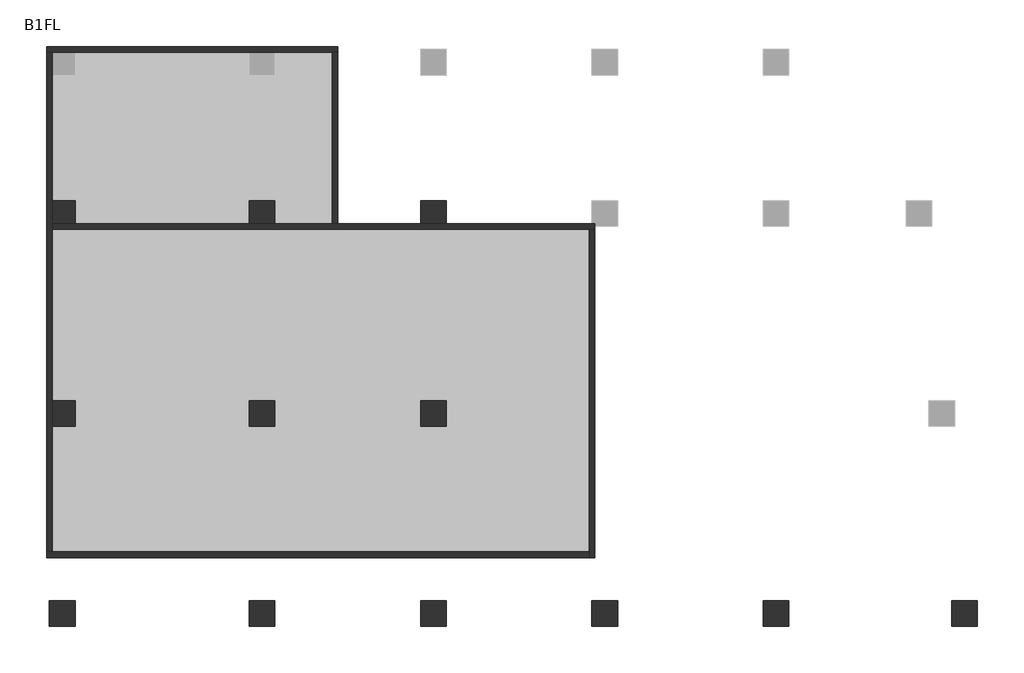
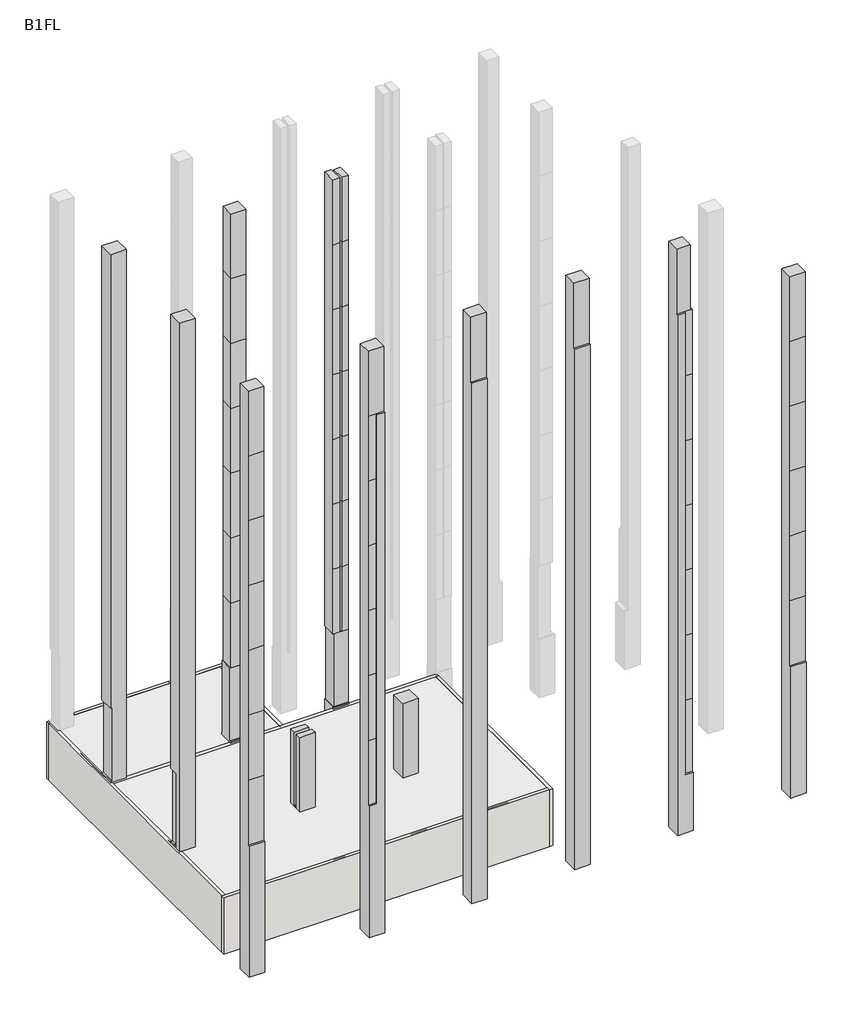
# One storey, part 1 of 2: 12 columns, 6 walls.
"""IFC4 building model written with IfcOpenShell, lengths in millimetres."""

from ifc_helpers import new_model, si_unit, frame, origin, place, context, project, spatial, polyline, outline, extrude, faceted_brep, element, save

model = new_model("IFC4")

# Units and contexts
model_context = context("Model", 3, world=origin())
ifc_project = project(units=[si_unit("LENGTHUNIT", "METRE", prefix="MILLI")], contexts=[model_context])

# Site, building, storey
site = spatial("IfcSite", under=ifc_project)
building = spatial("IfcBuilding", under=site)
storey = spatial("IfcBuildingStorey", under=building, Name="B1FL", Elevation=-3500.0)

# Columns
placement = place(None, origin())
element("IfcColumn", 1, ObjectType="900x900", at=placement, inside=storey, context=model_context, shape_type="Brep", body=[
    faceted_brep([(-27945.9784025, 10449.6868987, 32600.0), (-27945.9784025, 11349.6868987, 32600.0), (-28845.9784025, 11349.6868987, 32600.0), (-28845.9784025, 10449.6868987, 32600.0), (-28745.9784025, 11349.6868987, -3500.0), (-27945.9784025, 11349.6868987, -3500.0), (-27945.9784025, 10549.6868987, -3500.0), (-28745.9784025, 10549.6868987, -3500.0), (-27945.9784025, 10449.6868987, 0.0), (-27945.9784025, 10549.6868987, 0.0), (-27945.9784025, 11349.6868987, 100.0), (-27945.9784025, 11299.6868987, 100.0), (-27945.9784025, 11299.6868987, 4600.0), (-27945.9784025, 11349.6868987, 4600.0), (-28745.9784025, 11349.6868987, 4600.0), (-28845.9784025, 11349.6868987, 4600.0), (-28845.9784025, 10449.6868987, 4600.0), (-28745.9784025, 10449.6868987, 4600.0), (-28745.9784025, 10449.6868987, 100.0), (-28845.9784025, 10449.6868987, 100.0), (-28845.9784025, 10449.6868987, 0.0), (-28745.9784025, 10449.6868987, 0.0), (-28745.9784025, 11299.6868987, 4600.0), (-28745.9784025, 11299.6868987, 100.0), (-28745.9784025, 11349.6868987, 100.0), (-28845.9784025, 11349.6868987, 100.0), (-28845.9784025, 11349.6868987, 0.0), (-28845.9784025, 10549.6868987, 0.0), (-28745.9784025, 11349.6868987, 0.0), (-28745.9784025, 10549.6868987, 0.0)], [[[0, 1, 2, 3]], [[4, 5, 6, 7]], [[1, 0, 8, 9, 6, 5, 10, 11, 12, 13]], [[2, 1, 13, 14, 15]], [[3, 2, 15, 16]], [[0, 3, 16, 17, 18, 19, 20, 21, 8]], [[18, 17, 22, 23]], [[24, 25, 19, 18, 23]], [[15, 14, 22, 17, 16]], [[19, 25, 26, 27, 20]], [[11, 23, 22, 12]], [[23, 11, 10, 24]], [[12, 22, 14, 13]], [[25, 24, 10, 5, 4, 28, 26]], [[28, 4, 7, 29]], [[21, 20, 27, 26, 28, 29]], [[9, 29, 7, 6]], [[29, 9, 8, 21]]]),
])
element("IfcColumn", 2, ObjectType="900x900", at=placement, inside=storey, context=model_context, shape_type="Brep", body=[
    faceted_brep([(-27945.9784025, 3449.6868987, 32600.0), (-27945.9784025, 4349.6868987, 32600.0), (-28845.9784025, 4349.6868987, 32600.0), (-28845.9784025, 3449.6868987, 32600.0), (-27945.9784025, 4349.6868987, -3500.0), (-27945.9784025, 3449.6868987, -3500.0), (-28745.9784025, 3449.6868987, -3500.0), (-28745.9784025, 4349.6868987, -3500.0), (-27945.9784025, 3999.6868987, 4600.0), (-27945.9784025, 3999.6868987, 100.0), (-27945.9784025, 3799.6868987, 100.0), (-27945.9784025, 3799.6868987, 4600.0), (-28745.9784025, 4349.6868987, 0.0), (-28845.9784025, 4349.6868987, 0.0), (-28845.9784025, 4349.6868987, 100.0), (-28745.9784025, 4349.6868987, 100.0), (-28745.9784025, 4349.6868987, 4600.0), (-28845.9784025, 4349.6868987, 4600.0), (-28845.9784025, 3999.6868987, 4600.0), (-28845.9784025, 3799.6868987, 4600.0), (-28845.9784025, 3799.6868987, 100.0), (-28845.9784025, 3999.6868987, 100.0), (-28845.9784025, 3449.6868987, 0.0), (-28745.9784025, 3449.6868987, 0.0), (-28745.9784025, 3999.6868987, 4600.0), (-28745.9784025, 3999.6868987, 100.0)], [[[0, 1, 2, 3]], [[4, 5, 6, 7]], [[1, 0, 5, 4], [8, 9, 10, 11]], [[2, 1, 4, 7, 12, 13, 14, 15, 16, 17]], [[3, 2, 17, 18, 19, 20, 21, 14, 13, 22]], [[0, 3, 22, 23, 6, 5]], [[9, 8, 24, 25]], [[11, 10, 20, 19]], [[10, 9, 25, 21, 20]], [[8, 11, 19, 18, 24]], [[24, 16, 15, 25]], [[25, 15, 14, 21]], [[16, 24, 18, 17]], [[23, 12, 7, 6]], [[12, 23, 22, 13]]]),
])
element("IfcColumn", 3, ObjectType="900x900", at=placement, inside=storey, context=model_context, shape_type="SweptSolid", body=[
    extrude(outline(polyline([(-2650.3131013, -3500.0), (-3550.3131013, -3500.0), (-3550.3131013, 4600.0), (-3450.3131013, 4600.0), (-3450.3131013, 8600.0), (-3450.3131013, 12600.0), (-3450.3131013, 16600.0), (-3450.3131013, 20600.0), (-3450.3131013, 24600.0), (-3450.3131013, 28600.0), (-3450.3131013, 32600.0), (-2650.3131013, 32600.0), (-2650.3131013, -3500.0)])), frame((-28845.9784025, 0.0, 0.0), z_axis=(1.0, 0.0, 0.0), x_axis=(0.0, 1.0, 0.0)), (0.0, 0.0, 1.0), 900.0),
])
element("IfcColumn", 4, ObjectType="900x900", at=placement, inside=storey, context=model_context, shape_type="Brep", body=[
    faceted_brep([(-21795.9784025, 11299.6868987, 32600.0), (-21795.9784025, 10499.6868987, 32600.0), (-20945.9784025, 10499.6868987, 32600.0), (-20945.9784025, 11299.6868987, 32600.0), (-21845.9784025, 11349.6868987, -3500.0), (-20945.9784025, 11349.6868987, -3500.0), (-20945.9784025, 10549.6868987, -3500.0), (-21845.9784025, 10549.6868987, -3500.0), (-20945.9784025, 10499.6868987, 12600.0), (-20945.9784025, 10499.6868987, 8600.0), (-20945.9784025, 10499.6868987, 4600.0), (-20945.9784025, 10524.6868987, 4600.0), (-20945.9784025, 11299.6868987, 4600.0), (-20945.9784025, 11299.6868987, 8600.0), (-20945.9784025, 11299.6868987, 12600.0), (-20945.9784025, 11299.6868987, 16600.0), (-20945.9784025, 11299.6868987, 20600.0), (-20945.9784025, 11299.6868987, 24600.0), (-20945.9784025, 11299.6868987, 28600.0), (-20945.9784025, 10499.6868987, 28600.0), (-20945.9784025, 10499.6868987, 24600.0), (-20945.9784025, 10499.6868987, 20600.0), (-20945.9784025, 10499.6868987, 16600.0), (-21795.9784025, 10499.6868987, 12600.0), (-21795.9784025, 10499.6868987, 8600.0), (-20945.9784025, 10449.6868987, 100.0), (-21845.9784025, 10449.6868987, 100.0), (-21845.9784025, 10449.6868987, 0.0), (-20945.9784025, 10449.6868987, 0.0), (-21795.9784025, 11299.6868987, 12600.0), (-21795.9784025, 11299.6868987, 8600.0), (-21845.9784025, 10524.6868987, 100.0), (-21845.9784025, 10524.6868987, 4600.0), (-21845.9784025, 11299.6868987, 4600.0), (-21845.9784025, 11299.6868987, 100.0), (-21845.9784025, 11349.6868987, 100.0), (-21845.9784025, 10549.6868987, 0.0), (-20945.9784025, 11349.6868987, 100.0), (-21795.9784025, 10499.6868987, 4600.0), (-21795.9784025, 11299.6868987, 4600.0), (-21795.9784025, 10524.6868987, 4600.0), (-20995.9784025, 11299.6868987, 4600.0), (-21795.9784025, 10499.6868987, 16600.0), (-21795.9784025, 11299.6868987, 16600.0), (-21795.9784025, 10499.6868987, 20600.0), (-21795.9784025, 11299.6868987, 20600.0), (-21795.9784025, 10499.6868987, 24600.0), (-21795.9784025, 11299.6868987, 24600.0), (-21795.9784025, 10499.6868987, 28600.0), (-21795.9784025, 11299.6868987, 28600.0), (-20995.9784025, 10524.6868987, 100.0), (-20995.9784025, 10524.6868987, 4600.0), (-20945.9784025, 10524.6868987, 100.0), (-20995.9784025, 11299.6868987, 100.0), (-20945.9784025, 11299.6868987, 100.0), (-20945.9784025, 10549.6868987, 0.0)], [[[0, 1, 2, 3]], [[4, 5, 6, 7]], [[8, 9, 10, 11, 12, 13, 14, 15, 16, 17, 18, 3, 2, 19, 20, 21, 22]], [[9, 8, 23, 24]], [[25, 26, 27, 28]], [[24, 23, 29, 30]], [[31, 32, 33, 34, 35, 4, 7, 36, 27, 26]], [[14, 13, 30, 29]], [[5, 4, 35, 37]], [[10, 9, 24, 38]], [[24, 30, 39, 40, 38]], [[40, 39, 33, 32]], [[13, 12, 41, 39, 30]], [[8, 22, 42, 23]], [[29, 23, 42, 43]], [[15, 14, 29, 43]], [[22, 21, 44, 42]], [[43, 42, 44, 45]], [[16, 15, 43, 45]], [[21, 20, 46, 44]], [[45, 44, 46, 47]], [[17, 16, 45, 47]], [[20, 19, 48, 46]], [[47, 46, 48, 49]], [[18, 17, 47, 49]], [[49, 48, 1, 0]], [[0, 3, 18, 49]], [[2, 1, 48, 19]], [[32, 31, 50, 51, 40]], [[25, 52, 50, 31, 26]], [[11, 10, 38, 40, 51]], [[34, 33, 39, 41, 53]], [[54, 37, 35, 34, 53]], [[50, 53, 41, 51]], [[53, 50, 52, 54]], [[51, 41, 12, 11]], [[52, 25, 28, 55, 6, 5, 37, 54]], [[55, 36, 7, 6]], [[36, 55, 28, 27]]]),
])
element("IfcColumn", 5, ObjectType="900x900", at=placement, inside=storey, context=model_context, shape_type="Brep", body=[
    faceted_brep([(-21845.9784025, 3449.6868987, 4600.0), (-20945.9784025, 3449.6868987, 4600.0), (-20945.9784025, 3799.6868987, 4600.0), (-21845.9784025, 3799.6868987, 4600.0), (-20945.9784025, 3449.6868987, -3500.0), (-21845.9784025, 3449.6868987, -3500.0), (-21845.9784025, 4349.6868987, -3500.0), (-20945.9784025, 4349.6868987, -3500.0), (-20945.9784025, 4349.6868987, 100.0), (-20945.9784025, 3999.6868987, 100.0), (-20945.9784025, 3799.6868987, 100.0), (-21845.9784025, 4349.6868987, 4600.0), (-21020.9784025, 4349.6868987, 4600.0), (-21020.9784025, 4349.6868987, 100.0), (-21845.9784025, 3799.6868987, 100.0), (-21845.9784025, 3999.6868987, 100.0), (-21845.9784025, 3999.6868987, 4600.0), (-21020.9784025, 3999.6868987, 100.0), (-21020.9784025, 3999.6868987, 4600.0)], [[[0, 1, 2, 3]], [[4, 5, 6, 7]], [[4, 7, 8, 9, 10, 2, 1]], [[7, 6, 11, 12, 13, 8]], [[6, 5, 0, 3, 14, 15, 16, 11]], [[1, 0, 5, 4]], [[16, 15, 17, 18]], [[3, 2, 10, 14]], [[10, 9, 17, 15, 14]], [[11, 16, 18, 12]], [[17, 13, 12, 18]], [[13, 17, 9, 8]]]),
])
element("IfcColumn", 6, ObjectType="900x900", at=placement, inside=storey, context=model_context, shape_type="Brep", body=[
    faceted_brep([(-20945.9784025, -2650.3131013, 32600.0), (-21845.9784025, -2650.3131013, 32600.0), (-21845.9784025, -3450.3131013, 32600.0), (-20945.9784025, -3450.3131013, 32600.0), (-20945.9784025, -3550.3131013, -3500.0), (-21845.9784025, -3550.3131013, -3500.0), (-21845.9784025, -2650.3131013, -3500.0), (-20945.9784025, -2650.3131013, -3500.0), (-20945.9784025, -3450.3131013, 28600.0), (-20945.9784025, -3550.3131013, 28600.0), (-21845.9784025, -3550.3131013, 4600.0), (-21845.9784025, -3450.3131013, 4600.0), (-21845.9784025, -3450.3131013, 8600.0), (-21845.9784025, -3450.3131013, 12600.0), (-21845.9784025, -3450.3131013, 16600.0), (-21845.9784025, -3450.3131013, 20600.0), (-21845.9784025, -3450.3131013, 24600.0), (-21845.9784025, -3450.3131013, 28600.0), (-21395.9784025, -3550.3131013, 28600.0), (-21395.9784025, -3550.3131013, 24600.0), (-21395.9784025, -3550.3131013, 20600.0), (-21395.9784025, -3550.3131013, 16600.0), (-21395.9784025, -3550.3131013, 12600.0), (-21395.9784025, -3550.3131013, 8600.0), (-21395.9784025, -3550.3131013, 4600.0), (-21395.9784025, -3450.3131013, 28600.0), (-21395.9784025, -3450.3131013, 8600.0), (-21395.9784025, -3450.3131013, 12600.0), (-21395.9784025, -3450.3131013, 16600.0), (-21395.9784025, -3450.3131013, 20600.0), (-21395.9784025, -3450.3131013, 24600.0), (-21395.9784025, -3450.3131013, 4600.0)], [[[0, 1, 2, 3]], [[4, 5, 6, 7]], [[4, 7, 0, 3, 8, 9]], [[1, 0, 7, 6]], [[6, 5, 10, 11, 12, 13, 14, 15, 16, 17, 2, 1]], [[5, 4, 9, 18, 19, 20, 21, 22, 23, 24, 10]], [[3, 2, 17, 25, 8]], [[9, 8, 25, 18]], [[26, 27, 13, 12]], [[27, 26, 23, 22]], [[27, 28, 14, 13]], [[28, 27, 22, 21]], [[28, 29, 15, 14]], [[29, 28, 21, 20]], [[29, 30, 16, 15]], [[30, 29, 20, 19]], [[30, 25, 17, 16]], [[25, 30, 19, 18]], [[31, 26, 12, 11]], [[31, 11, 10, 24]], [[26, 31, 24, 23]]]),
])
element("IfcColumn", 7, ObjectType="900x900", at=placement, inside=storey, context=model_context, shape_type="Brep", body=[
    faceted_brep([(-15345.9784025, 11299.6868987, 32600.0), (-15345.9784025, 10499.6868987, 32600.0), (-14945.9784025, 10499.6868987, 32600.0), (-14945.9784025, 11299.6868987, 32600.0), (-15845.9784025, 11349.6868987, -3500.0), (-14945.9784025, 11349.6868987, -3500.0), (-14945.9784025, 10549.6868987, -3500.0), (-15845.9784025, 10549.6868987, -3500.0), (-14945.9784025, 10499.6868987, 12600.0), (-14945.9784025, 10499.6868987, 8600.0), (-14945.9784025, 10499.6868987, 4600.0), (-14945.9784025, 10524.6868987, 4600.0), (-14945.9784025, 10524.6868987, 100.0), (-14945.9784025, 10449.6868987, 100.0), (-14945.9784025, 10449.6868987, 0.0), (-14945.9784025, 10549.6868987, 0.0), (-14945.9784025, 11349.6868987, 100.0), (-14945.9784025, 11299.6868987, 100.0), (-14945.9784025, 11299.6868987, 4600.0), (-14945.9784025, 11299.6868987, 8600.0), (-14945.9784025, 11299.6868987, 12600.0), (-14945.9784025, 11299.6868987, 16600.0), (-14945.9784025, 11299.6868987, 20600.0), (-14945.9784025, 11299.6868987, 24600.0), (-14945.9784025, 11299.6868987, 28600.0), (-14945.9784025, 10499.6868987, 28600.0), (-14945.9784025, 10499.6868987, 24600.0), (-14945.9784025, 10499.6868987, 20600.0), (-14945.9784025, 10499.6868987, 16600.0), (-15845.9784025, 10499.6868987, 8600.0), (-15845.9784025, 10499.6868987, 12600.0), (-15845.9784025, 10499.6868987, 16600.0), (-15845.9784025, 10499.6868987, 20600.0), (-15845.9784025, 10499.6868987, 24600.0), (-15845.9784025, 10499.6868987, 28600.0), (-15845.9784025, 10499.6868987, 32600.0), (-15845.9784025, 11349.6868987, 32600.0), (-15845.9784025, 11349.6868987, 4600.0), (-15845.9784025, 11299.6868987, 4600.0), (-15845.9784025, 10524.6868987, 4600.0), (-15845.9784025, 10499.6868987, 4600.0), (-15345.9784025, 10499.6868987, 12600.0), (-15345.9784025, 10499.6868987, 8600.0), (-15845.9784025, 10449.6868987, 100.0), (-15845.9784025, 10449.6868987, 0.0), (-15345.9784025, 11299.6868987, 12600.0), (-15345.9784025, 11299.6868987, 8600.0), (-15445.9784025, 11349.6868987, 8600.0), (-15445.9784025, 11349.6868987, 12600.0), (-15445.9784025, 10499.6868987, 12600.0), (-15445.9784025, 10499.6868987, 8600.0), (-15345.9784025, 10499.6868987, 4600.0), (-15345.9784025, 11299.6868987, 4600.0), (-15345.9784025, 10524.6868987, 4600.0), (-15445.9784025, 11349.6868987, 4600.0), (-15445.9784025, 10499.6868987, 4600.0), (-15445.9784025, 10524.6868987, 4600.0), (-15445.9784025, 11299.6868987, 4600.0), (-15345.9784025, 10499.6868987, 16600.0), (-15345.9784025, 11299.6868987, 16600.0), (-15445.9784025, 11349.6868987, 16600.0), (-15445.9784025, 10499.6868987, 16600.0), (-15345.9784025, 10499.6868987, 20600.0), (-15345.9784025, 11299.6868987, 20600.0), (-15445.9784025, 11349.6868987, 20600.0), (-15445.9784025, 10499.6868987, 20600.0), (-15345.9784025, 10499.6868987, 24600.0), (-15345.9784025, 11299.6868987, 24600.0), (-15445.9784025, 11349.6868987, 24600.0), (-15445.9784025, 10499.6868987, 24600.0), (-15345.9784025, 10499.6868987, 28600.0), (-15345.9784025, 11299.6868987, 28600.0), (-15445.9784025, 11349.6868987, 28600.0), (-15445.9784025, 10499.6868987, 28600.0), (-15445.9784025, 11349.6868987, 32600.0), (-15445.9784025, 10499.6868987, 32600.0), (-15795.9784025, 10524.6868987, 4600.0), (-15795.9784025, 10524.6868987, 100.0), (-15845.9784025, 10524.6868987, 100.0), (-15795.9784025, 11299.6868987, 4600.0), (-15795.9784025, 11299.6868987, 100.0), (-15845.9784025, 11299.6868987, 100.0), (-15845.9784025, 11349.6868987, 100.0), (-15845.9784025, 10549.6868987, 0.0)], [[[0, 1, 2, 3]], [[4, 5, 6, 7]], [[8, 9, 10, 11, 12, 13, 14, 15, 6, 5, 16, 17, 18, 19, 20, 21, 22, 23, 24, 3, 2, 25, 26, 27, 28]], [[29, 30, 31, 32, 33, 34, 35, 36, 37, 38, 39, 40]], [[9, 8, 41, 42]], [[13, 43, 44, 14]], [[42, 41, 45, 46]], [[47, 48, 49, 50]], [[30, 29, 50, 49]], [[20, 19, 46, 45]], [[10, 9, 42, 51]], [[42, 46, 52, 53, 51]], [[54, 47, 50, 55, 56, 57]], [[53, 52, 57, 56]], [[29, 40, 55, 50]], [[19, 18, 52, 46]], [[8, 28, 58, 41]], [[45, 41, 58, 59]], [[48, 60, 61, 49]], [[31, 30, 49, 61]], [[21, 20, 45, 59]], [[28, 27, 62, 58]], [[59, 58, 62, 63]], [[60, 64, 65, 61]], [[32, 31, 61, 65]], [[22, 21, 59, 63]], [[27, 26, 66, 62]], [[63, 62, 66, 67]], [[64, 68, 69, 65]], [[33, 32, 65, 69]], [[23, 22, 63, 67]], [[26, 25, 70, 66]], [[67, 66, 70, 71]], [[68, 72, 73, 69]], [[34, 33, 69, 73]], [[24, 23, 67, 71]], [[71, 70, 1, 0]], [[74, 75, 73, 72]], [[48, 47, 54, 37, 36, 74, 72, 68, 64, 60]], [[0, 3, 24, 71]], [[2, 1, 70, 25]], [[74, 36, 35, 75]], [[75, 35, 34, 73]], [[11, 53, 56, 76, 77, 12]], [[13, 12, 77, 78, 43]], [[40, 39, 76, 56, 55]], [[53, 11, 10, 51]], [[76, 79, 80, 77]], [[77, 80, 81, 78]], [[79, 76, 39, 38]], [[79, 57, 52, 18, 17, 80]], [[80, 17, 16, 82, 81]], [[57, 79, 38, 37, 54]], [[43, 78, 81, 82, 4, 7, 83, 44]], [[5, 4, 82, 16]], [[15, 83, 7, 6]], [[83, 15, 14, 44]]]),
])
element("IfcColumn", 8, ObjectType="900x900", at=placement, inside=storey, context=model_context, shape_type="SweptSolid", body=[
    extrude(outline(polyline([(-14945.9784025, 3449.6868987), (-15845.9784025, 3449.6868987), (-15845.9784025, 4349.6868987), (-14945.9784025, 4349.6868987), (-14945.9784025, 3449.6868987)])), frame((0.0, 0.0, -3500.0), z_axis=(0.0, 0.0, 1.0), x_axis=(1.0, 0.0, 0.0)), (0.0, 0.0, 1.0), 8100.0),
])
element("IfcColumn", 9, ObjectType="900x900", at=placement, inside=storey, context=model_context, shape_type="SweptSolid", body=[
    extrude(outline(polyline([(-2650.3131013, -3500.0), (-3550.3131013, -3500.0), (-3550.3131013, 28600.0), (-3450.3131013, 28600.0), (-3450.3131013, 32600.0), (-2650.3131013, 32600.0), (-2650.3131013, -3500.0)])), frame((-15845.9784025, 0.0, 0.0), z_axis=(1.0, 0.0, 0.0), x_axis=(0.0, 1.0, 0.0)), (0.0, 0.0, 1.0), 900.0),
])
element("IfcColumn", 10, ObjectType="900x900", at=placement, inside=storey, context=model_context, shape_type="SweptSolid", body=[
    extrude(outline(polyline([(-2650.3131013, -3500.0), (-3550.3131013, -3500.0), (-3550.3131013, 28600.0), (-3450.3131013, 28600.0), (-3450.3131013, 32600.0), (-2650.3131013, 32600.0), (-2650.3131013, -3500.0)])), frame((-9845.9784025, 0.0, 0.0), z_axis=(1.0, 0.0, 0.0), x_axis=(0.0, 1.0, 0.0)), (0.0, 0.0, 1.0), 900.0),
])
element("IfcColumn", 11, ObjectType="900x900", at=placement, inside=storey, context=model_context, shape_type="Brep", body=[
    faceted_brep([(-3845.9784025, -2650.3131013, 32600.0), (-3845.9784025, -3450.3131013, 32600.0), (-3045.9784025, -3450.3131013, 32600.0), (-3045.9784025, -2650.3131013, 32600.0), (-2945.9784025, -3550.3131013, -3500.0), (-3845.9784025, -3550.3131013, -3500.0), (-3845.9784025, -2650.3131013, -3500.0), (-2945.9784025, -2650.3131013, -3500.0), (-2945.9784025, -2650.3131013, 28600.0), (-2945.9784025, -3450.3131013, 28600.0), (-2945.9784025, -3450.3131013, 24600.0), (-2945.9784025, -3450.3131013, 20600.0), (-2945.9784025, -3450.3131013, 16600.0), (-2945.9784025, -3450.3131013, 12600.0), (-2945.9784025, -3450.3131013, 8600.0), (-2945.9784025, -3450.3131013, 4600.0), (-2945.9784025, -3450.3131013, 100.0), (-2945.9784025, -3550.3131013, 100.0), (-3045.9784025, -2650.3131013, 28600.0), (-3845.9784025, -3550.3131013, 28600.0), (-3845.9784025, -3450.3131013, 28600.0), (-3395.9784025, -3550.3131013, 100.0), (-3395.9784025, -3550.3131013, 4600.0), (-3395.9784025, -3550.3131013, 8600.0), (-3395.9784025, -3550.3131013, 12600.0), (-3395.9784025, -3550.3131013, 16600.0), (-3395.9784025, -3550.3131013, 20600.0), (-3395.9784025, -3550.3131013, 24600.0), (-3395.9784025, -3550.3131013, 28600.0), (-3395.9784025, -3450.3131013, 12600.0), (-3395.9784025, -3450.3131013, 8600.0), (-3395.9784025, -3450.3131013, 16600.0), (-3395.9784025, -3450.3131013, 20600.0), (-3395.9784025, -3450.3131013, 24600.0), (-3395.9784025, -3450.3131013, 28600.0), (-3045.9784025, -3450.3131013, 28600.0), (-3395.9784025, -3450.3131013, 100.0), (-3395.9784025, -3450.3131013, 4600.0)], [[[0, 1, 2, 3]], [[4, 5, 6, 7]], [[4, 7, 8, 9, 10, 11, 12, 13, 14, 15, 16, 17]], [[7, 6, 0, 3, 18, 8]], [[6, 5, 19, 20, 1, 0]], [[5, 4, 17, 21, 22, 23, 24, 25, 26, 27, 28, 19]], [[29, 30, 14, 13]], [[31, 29, 13, 12]], [[32, 31, 12, 11]], [[33, 32, 11, 10]], [[34, 33, 10, 9, 35]], [[1, 20, 34, 35, 2]], [[20, 19, 28, 34]], [[3, 2, 35, 18]], [[9, 8, 18, 35]], [[36, 16, 15, 37]], [[16, 36, 21, 17]], [[30, 29, 24, 23]], [[29, 31, 25, 24]], [[31, 32, 26, 25]], [[32, 33, 27, 26]], [[33, 34, 28, 27]], [[30, 37, 15, 14]], [[37, 30, 23, 22]], [[36, 37, 22, 21]]]),
])
element("IfcColumn", 12, ObjectType="900x900", at=placement, inside=storey, context=model_context, shape_type="SweptSolid", body=[
    extrude(outline(polyline([(-2650.3131013, -3500.0), (-3550.3131013, -3500.0), (-3550.3131013, 4600.0), (-3450.3131013, 4600.0), (-3450.3131013, 8600.0), (-3450.3131013, 12600.0), (-3450.3131013, 16600.0), (-3450.3131013, 20600.0), (-3450.3131013, 24600.0), (-3450.3131013, 28600.0), (-2650.3131013, 28600.0), (-2650.3131013, -3500.0)])), frame((2754.0215975, 0.0, 0.0), z_axis=(1.0, 0.0, 0.0), x_axis=(0.0, 1.0, 0.0)), (0.0, 0.0, 1.0), 900.0),
])

# Walls
element("IfcWall", 13, at=placement, inside=storey, context=model_context, shape_type="Brep", body=[
    faceted_brep([(-28945.9784025, 16549.6868987, -3500.0), (-28745.9784025, 16549.6868987, -3500.0), (-27945.9784025, 16549.6868987, -3500.0), (-21845.9784025, 16549.6868987, -3500.0), (-20945.9784025, 16549.6868987, -3500.0), (-18945.9784025, 16549.6868987, -3500.0), (-18745.9784025, 16549.6868987, -3500.0), (-18745.9784025, 16549.6868987, 0.0), (-18945.9784025, 16549.6868987, 0.0), (-20945.9784025, 16549.6868987, 0.0), (-21845.9784025, 16549.6868987, 0.0), (-27945.9784025, 16549.6868987, 0.0), (-28745.9784025, 16549.6868987, 0.0), (-28945.9784025, 16549.6868987, 0.0), (-28945.9784025, 16749.6868987, -3500.0), (-28945.9784025, 16749.6868987, 0.0), (-18745.9784025, 16749.6868987, 0.0), (-18745.9784025, 16749.6868987, -3500.0)], [[[0, 1, 2, 3, 4, 5, 6, 7, 8, 9, 10, 11, 12, 13]], [[14, 15, 16, 17]], [[6, 5, 4, 3, 2, 1, 0, 14, 17]], [[13, 12, 11, 10, 9, 8, 7, 16, 15]], [[7, 6, 17, 16]], [[0, 13, 15, 14]]]),
])
element("IfcWall", 14, at=placement, inside=storey, context=model_context, shape_type="SweptSolid", body=[
    extrude(outline(polyline([(-18945.9784025, 10449.6868987), (-18945.9784025, 16549.6868987), (-18745.9784025, 16549.6868987), (-18745.9784025, 10449.6868987), (-18945.9784025, 10449.6868987)])), frame((0.0, 0.0, -3500.0), z_axis=(0.0, 0.0, 1.0), x_axis=(1.0, 0.0, 0.0)), (0.0, 0.0, 1.0), 3500.0),
])
element("IfcWall", 15, at=placement, inside=storey, context=model_context, shape_type="Brep", body=[
    faceted_brep([(-28845.9784025, 10349.6868987, -3500.0), (-9945.9784025, 10349.6868987, -3500.0), (-9745.9784025, 10349.6868987, -3500.0), (-9745.9784025, 10349.6868987, 0.0), (-9945.9784025, 10349.6868987, 0.0), (-28845.9784025, 10349.6868987, 0.0), (-28845.9784025, 10549.6868987, -3500.0), (-28845.9784025, 10549.6868987, 0.0), (-28745.9784025, 10549.6868987, 0.0), (-27945.9784025, 10549.6868987, 0.0), (-21845.9784025, 10549.6868987, 0.0), (-20945.9784025, 10549.6868987, 0.0), (-15845.9784025, 10549.6868987, 0.0), (-14945.9784025, 10549.6868987, 0.0), (-9845.9784025, 10549.6868987, 0.0), (-9745.9784025, 10549.6868987, 0.0), (-9745.9784025, 10549.6868987, -3500.0), (-9845.9784025, 10549.6868987, -3500.0), (-14945.9784025, 10549.6868987, -3500.0), (-15845.9784025, 10549.6868987, -3500.0), (-20945.9784025, 10549.6868987, -3500.0), (-21845.9784025, 10549.6868987, -3500.0), (-27945.9784025, 10549.6868987, -3500.0), (-28745.9784025, 10549.6868987, -3500.0), (-9745.9784025, 10449.6868987, -3500.0), (-9745.9784025, 10449.6868987, 0.0), (-28845.9784025, 10449.6868987, 0.0)], [[[0, 1, 2, 3, 4, 5]], [[6, 7, 8, 9, 10, 11, 12, 13, 14, 15, 16, 17, 18, 19, 20, 21, 22, 23]], [[2, 1, 0, 6, 23, 22, 21, 20, 19, 18, 17, 16, 24]], [[5, 4, 3, 25, 15, 14, 13, 12, 11, 10, 9, 8, 7, 26]], [[0, 5, 26, 7, 6]], [[3, 2, 24, 16, 15, 25]]]),
])
element("IfcWall", 16, at=placement, inside=storey, context=model_context, shape_type="Brep", body=[
    faceted_brep([(-9945.9784025, 10349.6868987, -3500.0), (-9945.9784025, -950.3131013, -3500.0), (-9945.9784025, -1150.3131013, -3500.0), (-9945.9784025, -1150.3131013, 0.0), (-9945.9784025, -950.3131013, 0.0), (-9945.9784025, 10349.6868987, 0.0), (-9745.9784025, 10349.6868987, -3500.0), (-9745.9784025, 10349.6868987, 0.0), (-9745.9784025, -1150.3131013, 0.0), (-9745.9784025, -1150.3131013, -3500.0)], [[[0, 1, 2, 3, 4, 5]], [[6, 7, 8, 9]], [[2, 1, 0, 6, 9]], [[5, 4, 3, 8, 7]], [[0, 5, 7, 6]], [[3, 2, 9, 8]]]),
])
element("IfcWall", 17, at=placement, inside=storey, context=model_context, shape_type="Brep", body=[
    faceted_brep([(-9945.9784025, -950.3131013, -3500.0), (-28745.9784025, -950.3131013, -3500.0), (-28945.9784025, -950.3131013, -3500.0), (-28945.9784025, -950.3131013, 0.0), (-28745.9784025, -950.3131013, 0.0), (-9945.9784025, -950.3131013, 0.0), (-9945.9784025, -1150.3131013, -3500.0), (-9945.9784025, -1150.3131013, 0.0), (-28945.9784025, -1150.3131013, 0.0), (-28945.9784025, -1150.3131013, -3500.0)], [[[0, 1, 2, 3, 4, 5]], [[6, 7, 8, 9]], [[2, 1, 0, 6, 9]], [[5, 4, 3, 8, 7]], [[0, 5, 7, 6]], [[3, 2, 9, 8]]]),
])
element("IfcWall", 18, at=placement, inside=storey, context=model_context, shape_type="Brep", body=[
    faceted_brep([(-28745.9784025, -950.3131013, -3500.0), (-28745.9784025, 3449.6868987, -3500.0), (-28745.9784025, 4349.6868987, -3500.0), (-28745.9784025, 10549.6868987, -3500.0), (-28745.9784025, 11349.6868987, -3500.0), (-28745.9784025, 15749.6868987, -3500.0), (-28745.9784025, 16549.6868987, -3500.0), (-28745.9784025, 16549.6868987, 0.0), (-28745.9784025, 15749.6868987, 0.0), (-28745.9784025, 11349.6868987, 0.0), (-28745.9784025, 10549.6868987, 0.0), (-28745.9784025, 4349.6868987, 0.0), (-28745.9784025, 3449.6868987, 0.0), (-28745.9784025, -950.3131013, 0.0), (-28945.9784025, -950.3131013, -3500.0), (-28945.9784025, -950.3131013, 0.0), (-28945.9784025, 16549.6868987, 0.0), (-28945.9784025, 16549.6868987, -3500.0)], [[[0, 1, 2, 3, 4, 5, 6, 7, 8, 9, 10, 11, 12, 13]], [[14, 15, 16, 17]], [[6, 5, 4, 3, 2, 1, 0, 14, 17]], [[13, 12, 11, 10, 9, 8, 7, 16, 15]], [[7, 6, 17, 16]], [[0, 13, 15, 14]]]),
])

save(model, "model.ifc")
